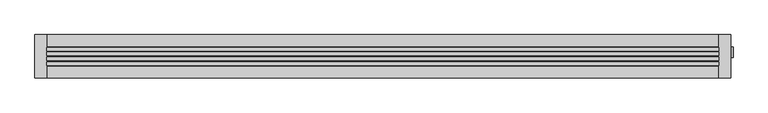
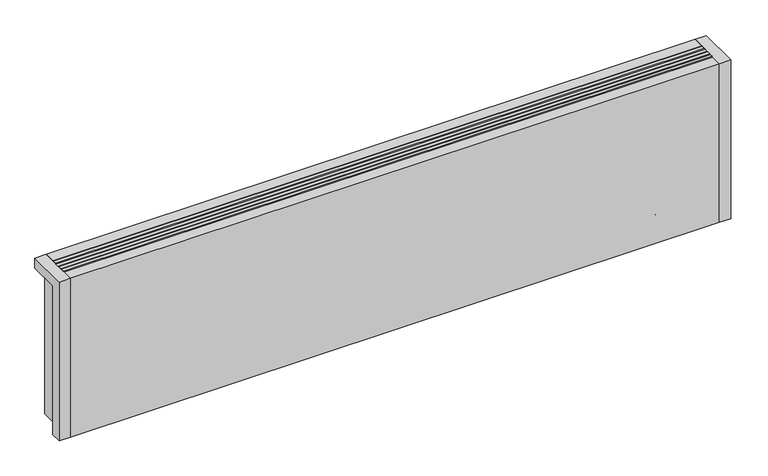
"""IFC4 building model written with IfcOpenShell, lengths in millimetres: proxy geometry."""

from ifc_helpers import new_model, si_unit, point, frame, frame_2d, origin, origin_with_axes, place, context, project, spatial, polyline, circle_curve, ellipse_curve, trimmed, segment, composite_curve, outline, extrude, source, transform, mapped, element, save
from ifc_brep_helpers import plane_surface, cylinder_surface, revolved_surface, advanced_brep


def mechanical_equipment_7339fe09(model_context):
    return source(origin(), model_context, "Body", "SolidModel", [
        advanced_brep(
        [(1182.0, 19.8236127, 77.0), (1182.0, -4.8236127, 77.0), (1182.0, 0.0, 77.0), (1182.0, 15.0, 77.0), (1204.3972754, -1.4373094, 77.0), (1204.3972754, 16.4373094, 77.0), (1204.3972754, 7.5, 77.0), (1151.5, 15.0, 77.0), (1151.5, 0.0, 77.0)],
        [
            (0, 1, circle_curve(frame((1182.0, 7.5, 77.0), z_axis=(-1.0, 0.0, 0.0), x_axis=(0.0, 1.0, 0.0)), 12.3236127)),
            (1, 2),
            (2, 3, circle_curve(frame((1182.0, 7.5, 77.0), z_axis=(1.0, 0.0, 0.0), x_axis=(0.0, -1.0, 0.0)), 7.5)),
            (3, 0),
            (1, 0, circle_curve(frame((1182.0, 7.5, 77.0), z_axis=(-1.0, 0.0, 0.0), x_axis=(0.0, 1.0, 0.0)), 12.3236127)),
            (3, 2, circle_curve(frame((1182.0, 7.5, 77.0), z_axis=(1.0, 0.0, 0.0), x_axis=(0.0, -1.0, 0.0)), 7.5)),
            (4, 5, circle_curve(frame((1204.3972754, 7.5, 77.0), z_axis=(1.0, 0.0, 0.0), x_axis=(0.0, 1.0, 0.0)), 8.9373094)),
            (5, 6),
            (6, 4),
            (5, 4, circle_curve(frame((1204.3972754, 7.5, 77.0), z_axis=(1.0, 0.0, 0.0), x_axis=(0.0, 1.0, 0.0)), 8.9373094)),
            (7, 8, circle_curve(frame((1151.5, 7.5, 77.0), z_axis=(-1.0, 0.0, 0.0), x_axis=(0.0, -1.0, 0.0)), 7.5)),
            (8, 7, circle_curve(frame((1151.5, 7.5, 77.0), z_axis=(-1.0, 0.0, 0.0), x_axis=(0.0, -1.0, 0.0)), 7.5)),
            (8, 2),
            (3, 7),
            (0, 5, circle_curve(frame((1182.930269, -49.7853335, 77.0), z_axis=(0.0, 0.0, -1.0), x_axis=(1.0, 0.0, 0.0)), 69.6151621)),
            (4, 1, circle_curve(frame((1182.930269, 64.7853335, 77.0), z_axis=(0.0, 0.0, -1.0), x_axis=(1.0, 0.0, 0.0)), 69.6151621)),
        ],
        [
            plane_surface(frame((1182.0, 7.5, 77.0), z_axis=(-1.0, 0.0, 0.0), x_axis=(0.0, 1.0, 0.0))),
            plane_surface(frame((1204.3972754, 7.5, 77.0), z_axis=(1.0, 0.0, 0.0), x_axis=(0.0, 1.0, 0.0))),
            plane_surface(frame((1151.5, 0.0, 77.0), z_axis=(-1.0, 0.0, 0.0), x_axis=(0.0, 0.0, 1.0))),
            cylinder_surface(frame((1151.5, 7.5, 77.0), z_axis=(1.0, 0.0, 0.0), x_axis=(0.0, -1.0, 0.0)), 7.5),
            revolved_surface(trimmed(ellipse_curve(frame((1182.930269, -49.7853335, 77.0), z_axis=(0.0, 0.0, 1.0), x_axis=(1.0, 0.0, 0.0)), 69.6151621, 69.6151621), [point((1204.3972754, 16.4373094, 77.0))], [point((1182.0, 19.8236127, 77.0))], True, "CARTESIAN"), (1210.1181216, 7.5, 77.0), (-1.0, 0.0, 0.0)),
        ],
        [
            (0, [[1, 2, 3, 4]]),
            (0, [[5, -4, 6, -2]]),
            (1, [[7, 8, 9]]),
            (1, [[-8, 10, -9]]),
            (2, [[11, 12]]),
            (3, [[-12, 13, -6, 14]]),
            (3, [[-11, -14, -3, -13]]),
            (4, [[-1, 15, -7, 16]]),
            (4, [[-5, -16, -10, -15]]),
        ],
    ),
        advanced_brep(
        [(1050.0, 7.5, 19.5), (1050.0, 7.5, 34.5), (1086.5, 7.5, 19.5), (1101.5, 7.5, 34.5), (1086.5, 7.5, 0.0), (1101.5, 7.5, 0.0)],
        [
            (0, 1, circle_curve(frame((1050.0, 7.5, 27.0), z_axis=(-1.0, 0.0, 0.0), x_axis=(0.0, 0.0, 1.0)), 7.5)),
            (1, 0, circle_curve(frame((1050.0, 7.5, 27.0), z_axis=(-1.0, 0.0, 0.0), x_axis=(0.0, 0.0, 1.0)), 7.5)),
            (0, 2),
            (2, 3, ellipse_curve(frame((1094.0, 7.5, 27.0), z_axis=(-0.7071067811865471, 0.0, 0.707106781186548), x_axis=(-0.7071067811865478, 0.0, -0.7071067811865471)), 10.6066017, 7.5)),
            (3, 1),
            (3, 2, ellipse_curve(frame((1094.0, 7.5, 27.0), z_axis=(-0.7071067811865471, 0.0, 0.707106781186548), x_axis=(-0.7071067811865478, 0.0, -0.7071067811865471)), 10.6066017, 7.5)),
            (4, 5, circle_curve(frame((1094.0, 7.5, 0.0), z_axis=(0.0, 0.0, -1.0), x_axis=(1.0, 0.0, 0.0)), 7.5)),
            (5, 4, circle_curve(frame((1094.0, 7.5, 0.0), z_axis=(0.0, 0.0, -1.0), x_axis=(1.0, 0.0, 0.0)), 7.5)),
            (2, 4),
            (5, 3),
        ],
        [
            plane_surface(frame((1050.0, 7.5, 27.0), z_axis=(-1.0, 0.0, 0.0), x_axis=(0.0, -1.0, 0.0))),
            cylinder_surface(frame((1050.0, 7.5, 27.0), z_axis=(-1.0, 0.0, 0.0), x_axis=(0.0, 0.0, 1.0)), 7.5),
            plane_surface(frame((1094.0, 7.5, 0.0), z_axis=(0.0, 0.0, -1.0), x_axis=(0.0, -1.0, 0.0))),
            cylinder_surface(frame((1094.0, 7.5, 27.0), z_axis=(0.0, 0.0, 1.0), x_axis=(1.0, 0.0, 0.0)), 7.5),
        ],
        [
            (0, [[1, 2]]),
            (1, [[-1, 3, 4, 5]]),
            (1, [[-2, -5, 6, -3]]),
            (2, [[7, 8]]),
            (3, [[-4, 9, -8, 10]]),
            (3, [[-6, -10, -7, -9]]),
        ],
    ),
        advanced_brep(
        [(1050.0, 7.5, 69.5), (1050.0, 7.5, 84.5), (1136.5, 7.5, 69.5), (1151.5, 7.5, 84.5), (1136.5, 7.5, 0.0), (1151.5, 7.5, 0.0)],
        [
            (0, 1, circle_curve(frame((1050.0, 7.5, 77.0), z_axis=(-1.0, 0.0, 0.0), x_axis=(0.0, 0.0, 1.0)), 7.5)),
            (1, 0, circle_curve(frame((1050.0, 7.5, 77.0), z_axis=(-1.0, 0.0, 0.0), x_axis=(0.0, 0.0, 1.0)), 7.5)),
            (0, 2),
            (2, 3, ellipse_curve(frame((1144.0, 7.5, 77.0), z_axis=(-0.7071067811865469, 0.0, 0.7071067811865481), x_axis=(-0.7071067811865481, 0.0, -0.7071067811865469)), 10.6066017, 7.5)),
            (3, 1),
            (3, 2, ellipse_curve(frame((1144.0, 7.5, 77.0), z_axis=(-0.7071067811865469, 0.0, 0.7071067811865481), x_axis=(-0.7071067811865481, 0.0, -0.7071067811865469)), 10.6066017, 7.5)),
            (4, 5, circle_curve(frame((1144.0, 7.5, 0.0), z_axis=(0.0, 0.0, -1.0), x_axis=(1.0, 0.0, 0.0)), 7.5)),
            (5, 4, circle_curve(frame((1144.0, 7.5, 0.0), z_axis=(0.0, 0.0, -1.0), x_axis=(1.0, 0.0, 0.0)), 7.5)),
            (2, 4),
            (5, 3),
        ],
        [
            plane_surface(frame((1050.0, 7.5, 77.0), z_axis=(-1.0, 0.0, 0.0), x_axis=(0.0, -1.0, 0.0))),
            cylinder_surface(frame((1050.0, 7.5, 77.0), z_axis=(-1.0, 0.0, 0.0), x_axis=(0.0, 0.0, 1.0)), 7.5),
            plane_surface(frame((1144.0, 7.5, 0.0), z_axis=(0.0, 0.0, -1.0), x_axis=(0.0, -1.0, 0.0))),
            cylinder_surface(frame((1144.0, 7.5, 77.0), z_axis=(0.0, 0.0, 1.0), x_axis=(1.0, 0.0, 0.0)), 7.5),
        ],
        [
            (0, [[1, 2]]),
            (1, [[-1, 3, 4, 5]]),
            (1, [[-2, -5, 6, -3]]),
            (2, [[7, 8]]),
            (3, [[-4, 9, -8, 10]]),
            (3, [[-6, -10, -7, -9]]),
        ],
    ),
        extrude(outline(polyline([(20.0, -1.1666667), (1180.0, -1.1666667), (1180.0, -7.1666667), (20.0, -7.1666667), (20.0, -1.1666667)])), frame((0.0, 0.0, 282.0), z_axis=(0.0, 0.0, 1.0), x_axis=(1.0, 0.0, 0.0)), (0.0, 0.0, 1.0), 18.0),
        extrude(outline(polyline([(20.0, 7.1666667), (1180.0, 7.1666667), (1180.0, 1.1666667), (20.0, 1.1666667), (20.0, 7.1666667)])), frame((0.0, 0.0, 282.0), z_axis=(0.0, 0.0, 1.0), x_axis=(1.0, 0.0, 0.0)), (0.0, 0.0, 1.0), 18.0),
        extrude(outline(polyline([(20.0, -9.5), (1180.0, -9.5), (1180.0, -15.5), (20.0, -15.5), (20.0, -9.5)])), frame((0.0, 0.0, 282.0), z_axis=(0.0, 0.0, 1.0), x_axis=(1.0, 0.0, 0.0)), (0.0, 0.0, 1.0), 18.0),
        extrude(outline(polyline([(20.0, 15.5), (1180.0, 15.5), (1180.0, 9.5), (20.0, 9.5), (20.0, 15.5)])), frame((0.0, 0.0, 282.0), z_axis=(0.0, 0.0, 1.0), x_axis=(1.0, 0.0, 0.0)), (0.0, 0.0, 1.0), 18.0),
        extrude(outline(polyline([(1180.0, 17.5), (20.0, 17.5), (20.0, 37.5), (1180.0, 37.5), (1180.0, 17.5)])), origin_with_axes(), (0.0, 0.0, 1.0), 281.0),
        advanced_brep(
        [(1180.0, -37.5, 300.0), (1200.0, -37.5, 300.0), (1200.0, 37.5, 300.0), (1180.0, 37.5, 300.0), (20.0, 37.5, 300.0), (0.0, 37.5, 300.0), (0.0, -37.5, 300.0), (20.0, -37.5, 300.0), (20.0, -37.5, 0.0), (0.0, -37.5, 0.0), (0.0, -17.5, 0.0), (18.0, -17.5, 0.0), (18.0, 37.5, 0.0), (20.0, 37.5, 0.0), (20.0, 17.5, 0.0), (1180.0, 17.5, 0.0), (1180.0, 37.5, 0.0), (1182.0, 37.5, 0.0), (1182.0, -17.5, 0.0), (1200.0, -17.5, 0.0), (1200.0, -37.5, 0.0), (1180.0, -37.5, 0.0), (1180.0, -17.5, 0.0), (20.0, -17.5, 0.0), (1086.5, 7.5, 0.0), (1101.5, 7.5, 0.0), (1136.5, 7.5, 0.0), (1151.5, 7.5, 0.0), (20.0, -17.5, 281.0), (20.0, 17.5, 281.0), (1180.0, -17.5, 20.0), (1050.0, -17.5, 20.0), (1050.0, -17.5, 281.0), (1180.0, 17.5, 20.0), (1180.0, 14.6414284, 20.0), (1180.0, 17.5, 27.0), (1180.0, -2.5, 27.0), (1180.0, 0.3585716, 20.0), (1180.0, -2.5, 77.0), (1180.0, 17.5, 77.0), (1200.0, -17.5, 281.0), (1200.0, 37.5, 281.0), (1182.0, 37.5, 281.0), (1050.0, 17.5, 281.0), (1050.0, 17.5, 20.0), (18.0, 37.5, 281.0), (0.0, 37.5, 281.0), (0.0, -17.5, 281.0), (1101.5, 7.5, 20.0), (1086.5, 7.5, 20.0), (1151.5, 7.5, 20.0), (1136.5, 7.5, 20.0), (1182.0, -17.5, 281.0), (1182.0, 17.5, 27.0), (1182.0, -2.5, 27.0), (1182.0, 17.5, 77.0), (1182.0, -2.5, 77.0), (18.0, -17.5, 281.0)],
        [
            (0, 1),
            (1, 2),
            (2, 3),
            (3, 0),
            (4, 5),
            (5, 6),
            (6, 7),
            (7, 4),
            (8, 9),
            (9, 10),
            (10, 11),
            (11, 12),
            (12, 13),
            (13, 14),
            (14, 15),
            (15, 16),
            (16, 17),
            (17, 18),
            (18, 19),
            (19, 20),
            (20, 21),
            (21, 22),
            (22, 23),
            (23, 8),
            (24, 25, circle_curve(frame((1094.0, 7.5, 0.0), z_axis=(0.0, 0.0, 1.0), x_axis=(1.0, 0.0, 0.0)), 7.5)),
            (25, 24, circle_curve(frame((1094.0, 7.5, 0.0), z_axis=(0.0, 0.0, 1.0), x_axis=(1.0, 0.0, 0.0)), 7.5)),
            (26, 27, circle_curve(frame((1144.0, 7.5, 0.0), z_axis=(0.0, 0.0, 1.0), x_axis=(1.0, 0.0, 0.0)), 7.5)),
            (27, 26, circle_curve(frame((1144.0, 7.5, 0.0), z_axis=(0.0, 0.0, 1.0), x_axis=(1.0, 0.0, 0.0)), 7.5)),
            (13, 4),
            (7, 8),
            (23, 28),
            (28, 29),
            (29, 14),
            (22, 30),
            (30, 31),
            (31, 32),
            (32, 28),
            (15, 33),
            (33, 34),
            (34, 35, circle_curve(frame((1180.0, 7.5, 27.0), z_axis=(1.0, 0.0, 0.0), x_axis=(0.0, 1.0, 0.0)), 10.0)),
            (35, 36, circle_curve(frame((1180.0, 7.5, 27.0), z_axis=(1.0, 0.0, 0.0), x_axis=(0.0, 1.0, 0.0)), 10.0)),
            (36, 37, circle_curve(frame((1180.0, 7.5, 27.0), z_axis=(1.0, 0.0, 0.0), x_axis=(0.0, 1.0, 0.0)), 10.0)),
            (37, 30),
            (21, 0),
            (3, 16),
            (38, 39, circle_curve(frame((1180.0, 7.5, 77.0), z_axis=(1.0, 0.0, 0.0), x_axis=(0.0, 1.0, 0.0)), 10.0)),
            (39, 38, circle_curve(frame((1180.0, 7.5, 77.0), z_axis=(1.0, 0.0, 0.0), x_axis=(0.0, 1.0, 0.0)), 10.0)),
            (20, 1),
            (19, 40),
            (40, 41),
            (41, 2),
            (41, 42),
            (42, 17),
            (29, 43),
            (43, 44),
            (44, 33),
            (12, 45),
            (45, 46),
            (46, 5),
            (46, 47),
            (47, 10),
            (9, 6),
            (32, 43),
            (44, 31),
            (37, 34),
            (48, 49, circle_curve(frame((1094.0, 7.5, 20.0), z_axis=(0.0, 0.0, -1.0), x_axis=(1.0, 0.0, 0.0)), 7.5)),
            (49, 48, circle_curve(frame((1094.0, 7.5, 20.0), z_axis=(0.0, 0.0, -1.0), x_axis=(1.0, 0.0, 0.0)), 7.5)),
            (50, 51, circle_curve(frame((1144.0, 7.5, 20.0), z_axis=(0.0, 0.0, -1.0), x_axis=(1.0, 0.0, 0.0)), 7.5)),
            (51, 50, circle_curve(frame((1144.0, 7.5, 20.0), z_axis=(0.0, 0.0, -1.0), x_axis=(1.0, 0.0, 0.0)), 7.5)),
            (40, 52),
            (52, 42),
            (52, 18),
            (53, 54, circle_curve(frame((1182.0, 7.5, 27.0), z_axis=(-1.0, 0.0, 0.0), x_axis=(0.0, 1.0, 0.0)), 10.0)),
            (54, 53, circle_curve(frame((1182.0, 7.5, 27.0), z_axis=(-1.0, 0.0, 0.0), x_axis=(0.0, 1.0, 0.0)), 10.0)),
            (55, 56, circle_curve(frame((1182.0, 7.5, 77.0), z_axis=(-1.0, 0.0, 0.0), x_axis=(0.0, 1.0, 0.0)), 10.0)),
            (56, 55, circle_curve(frame((1182.0, 7.5, 77.0), z_axis=(-1.0, 0.0, 0.0), x_axis=(0.0, 1.0, 0.0)), 10.0)),
            (45, 57),
            (57, 47),
            (11, 57),
            (37, 34, circle_curve(frame((1180.0, 7.5, 27.0), z_axis=(1.0, 0.0, 0.0), x_axis=(0.0, 1.0, 0.0)), 10.0)),
            (36, 54),
            (53, 35),
            (38, 56),
            (55, 39),
            (48, 25),
            (24, 49),
            (50, 27),
            (26, 51),
        ],
        [
            plane_surface(frame((20.0, -37.5, 300.0), z_axis=(0.0, 0.0, 1.0), x_axis=(0.0, 1.0, 0.0))),
            plane_surface(frame((20.0, -37.5, 0.0), z_axis=(0.0, 0.0, -1.0), x_axis=(0.0, -1.0, 0.0))),
            plane_surface(frame((20.0, -37.5, 300.0), z_axis=(1.0, 0.0, 0.0), x_axis=(0.0, 0.0, -1.0))),
            plane_surface(frame((20.0, -17.5, 300.0), z_axis=(0.0, -1.0, 0.0), x_axis=(0.0, 0.0, -1.0))),
            plane_surface(frame((1180.0, -17.5, 300.0), z_axis=(-1.0, 0.0, 0.0), x_axis=(0.0, 0.0, -1.0))),
            plane_surface(frame((1180.0, -37.5, 300.0), z_axis=(0.0, -1.0, 0.0), x_axis=(0.0, 0.0, -1.0))),
            plane_surface(frame((1200.0, -37.5, 300.0), z_axis=(1.0, 0.0, 0.0), x_axis=(0.0, 0.0, -1.0))),
            plane_surface(frame((1200.0, 37.5, 300.0), z_axis=(0.0, 1.0, 0.0), x_axis=(0.0, 0.0, -1.0))),
            plane_surface(frame((1180.0, 17.5, 300.0), z_axis=(0.0, 1.0, 0.0), x_axis=(0.0, 0.0, -1.0))),
            plane_surface(frame((20.0, 37.5, 300.0), z_axis=(0.0, 1.0, 0.0), x_axis=(0.0, 0.0, -1.0))),
            plane_surface(frame((0.0, 37.5, 300.0), z_axis=(-1.0, 0.0, 0.0), x_axis=(0.0, 0.0, -1.0))),
            plane_surface(frame((0.0, -37.5, 300.0), z_axis=(0.0, -1.0, 0.0), x_axis=(0.0, 0.0, -1.0))),
            plane_surface(frame((20.0, 17.5, 281.0), z_axis=(0.0, 0.0, 1.0), x_axis=(1.0, 0.0, 0.0))),
            plane_surface(frame((1050.0, 17.5, 20.0), z_axis=(0.0, 0.0, 1.0), x_axis=(0.0, 1.0, 0.0))),
            plane_surface(frame((1050.0, 17.5, 300.0), z_axis=(1.0, 0.0, 0.0), x_axis=(0.0, 0.0, -1.0))),
            plane_surface(frame((1182.0, 37.5, 281.0), z_axis=(0.0, 0.0, -1.0), x_axis=(0.0, -1.0, 0.0))),
            plane_surface(frame((1182.0, 37.5, 281.0), z_axis=(1.0, 0.0, 0.0), x_axis=(0.0, 0.0, -1.0))),
            plane_surface(frame((1182.0, -17.5, 281.0), z_axis=(0.0, 1.0, 0.0), x_axis=(0.0, 0.0, -1.0))),
            plane_surface(frame((0.0, 37.5, 281.0), z_axis=(0.0, 0.0, -1.0), x_axis=(-1.0, 0.0, 0.0))),
            plane_surface(frame((18.0, -17.5, 281.0), z_axis=(-1.0, 0.0, 0.0), x_axis=(0.0, 0.0, -1.0))),
            plane_surface(frame((0.0, -17.5, 281.0), z_axis=(0.0, 1.0, 0.0), x_axis=(0.0, 0.0, -1.0))),
            plane_surface(frame((1180.0, 17.5, 27.0), z_axis=(1.0, 0.0, 0.0), x_axis=(0.0, 0.0, -1.0))),
            revolved_surface(polyline([(1182.0, 17.5, 27.0), (1180.0, 17.5, 27.0)]), (1180.0, 7.5, 27.0), (1.0, 0.0, 0.0)),
            revolved_surface(polyline([(1182.0, 17.5, 77.0), (1180.0, 17.5, 77.0)]), (0.0, 7.5, 77.0), (1.0, 0.0, 0.0)),
            revolved_surface(polyline([(1101.5, 7.5, 20.0), (1101.5, 7.5, 0.0)]), (1094.0, 7.5, 0.0), (0.0, 0.0, 1.0)),
            revolved_surface(polyline([(1151.5, 7.5, 20.0), (1151.5, 7.5, 0.0)]), (1144.0, 7.5, 0.0), (0.0, 0.0, 1.0)),
        ],
        [
            (0, [[1, 2, 3, 4]]),
            (0, [[5, 6, 7, 8]]),
            (1, [[9, 10, 11, 12, 13, 14, 15, 16, 17, 18, 19, 20, 21, 22, 23, 24], [25, 26], [27, 28]]),
            (2, [[-14, 29, -8, 30, -24, 31, 32, 33]]),
            (3, [[-23, 34, 35, 36, 37, -31]]),
            (4, [[-16, 38, 39, 40, 41, 42, 43, -34, -22, 44, -4, 45], [46, 47]]),
            (5, [[-1, -44, -21, 48]]),
            (6, [[-2, -48, -20, 49, 50, 51]]),
            (7, [[-3, -51, 52, 53, -17, -45]]),
            (8, [[-15, -33, 54, 55, 56, -38]]),
            (9, [[-5, -29, -13, 57, 58, 59]]),
            (10, [[-6, -59, 60, 61, -10, 62]]),
            (11, [[-7, -62, -9, -30]]),
            (12, [[-32, -37, 63, -54]]),
            (13, [[64, -35, -43, 65, -39, -56], [66, 67], [68, 69]]),
            (14, [[-64, -55, -63, -36]]),
            (15, [[70, 71, -52, -50]]),
            (16, [[-71, 72, -18, -53], [73, 74], [75, 76]]),
            (17, [[-70, -49, -19, -72]]),
            (18, [[77, 78, -60, -58]]),
            (19, [[-77, -57, -12, 79]]),
            (20, [[-78, -79, -11, -61]]),
            (21, [[80, -65]]),
            (22, [[-80, -42, 81, -73, 82, -40]]),
            (22, [[-81, -41, -82, -74]]),
            (23, [[83, -75, 84, -46]]),
            (23, [[-83, -47, -84, -76]]),
            (24, [[85, -25, 86, -66]]),
            (24, [[-85, -67, -86, -26]]),
            (25, [[87, -27, 88, -68]]),
            (25, [[-87, -69, -88, -28]]),
        ],
    ),
        extrude(outline(polyline([(1180.0, 17.5), (20.0, 17.5), (20.0, 37.5), (1180.0, 37.5), (1180.0, 17.5)])), frame((0.0, 0.0, 281.0), z_axis=(0.0, 0.0, 1.0), x_axis=(1.0, 0.0, 0.0)), (0.0, 0.0, 1.0), 19.0),
        extrude(outline(polyline([(1180.0, -37.5), (20.0, -37.5), (20.0, -17.5), (1180.0, -17.5), (1180.0, -37.5)])), origin_with_axes(), (0.0, 0.0, 1.0), 300.0),
        extrude(outline(composite_curve([segment(trimmed(circle_curve(frame_2d((7.5, 77.0)), 10.0), [point((-2.5, 77.0))], [point((17.5, 77.0))], False, "CARTESIAN"), True, "CONTINUOUS"), segment(trimmed(circle_curve(frame_2d((7.5, 77.0)), 10.0), [point((17.5, 77.0))], [point((-2.5, 77.0))], False, "CARTESIAN"), True, "CONTINUOUS")], self_intersect=False)), frame((1180.0, 0.0, 0.0), z_axis=(1.0, 0.0, 0.0), x_axis=(0.0, 1.0, 0.0)), (0.0, 0.0, 1.0), 2.0),
        extrude(outline(composite_curve([segment(trimmed(circle_curve(frame_2d((7.5, 27.0)), 10.0), [point((-2.5, 27.0))], [point((17.5, 27.0))], False, "CARTESIAN"), True, "CONTINUOUS"), segment(trimmed(circle_curve(frame_2d((7.5, 27.0)), 10.0), [point((17.5, 27.0))], [point((-2.5, 27.0))], False, "CARTESIAN"), True, "CONTINUOUS")], self_intersect=False)), frame((1180.0, 0.0, 0.0), z_axis=(1.0, 0.0, 0.0), x_axis=(0.0, 1.0, 0.0)), (0.0, 0.0, 1.0), 2.0),
    ])


if __name__ == "__main__":
    model = new_model("IFC4")
    model_context = context("Model", 3, world=origin())
    ifc_project = project(units=[si_unit("LENGTHUNIT", "METRE", prefix="MILLI")], contexts=[model_context])
    site = spatial("IfcSite", under=ifc_project)
    building = spatial("IfcBuilding", under=site)
    placement = place(None, origin())
    mechanical_equipment_shape = mechanical_equipment_7339fe09(model_context)
    element("IfcBuildingElementProxy", 1, Name="Mechanical Equipment", at=placement, inside=building, context=model_context, shape_type="MappedRepresentation", body=[
        mapped(mechanical_equipment_shape, transform((0.0, 0.0, 0.0), x_axis=(1.0, 0.0, 0.0), y_axis=(0.0, 1.0, 0.0), z_axis=(0.0, 0.0, 1.0))),
    ])
    save(model, "model.ifc")
